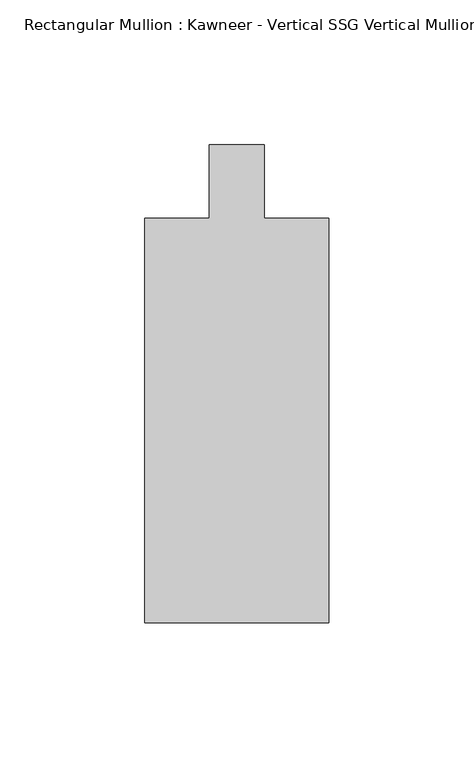
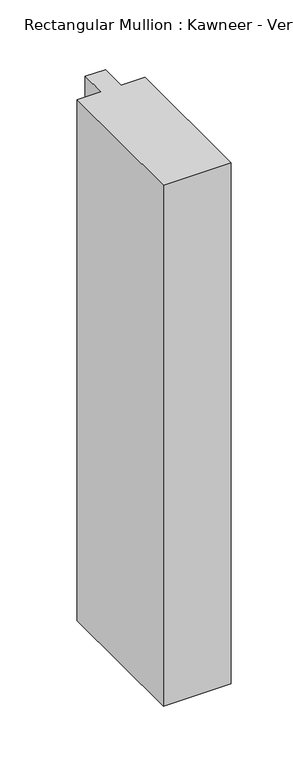
"""IFC4 building model written with IfcOpenShell, lengths in millimetres: member geometry."""

from ifc_helpers import new_model, si_unit, frame, origin, place, context, project, spatial, polyline, outline, extrude, source, transform, mapped, element, save


def member_9dc0b9e6(model_context):
    return source(origin(), model_context, "Body", "SweptSolid", [
        extrude(outline(polyline([(-31.75, -12.7), (-9.5251132, -12.7), (-9.5251132, 12.7), (9.5251132, 12.7), (9.5251132, -12.7), (31.75, -12.7), (31.75, -152.399995), (-31.75, -152.399995), (-31.75, -12.7)])), frame((0.0, 0.0, -515.5542364), z_axis=(0.0, 0.0, 1.0), x_axis=(1.0, 0.0, 0.0)), (0.0, 0.0, 1.0), 515.5542364),
    ])


if __name__ == "__main__":
    model = new_model("IFC4")
    model_context = context("Model", 3, world=origin())
    ifc_project = project(units=[si_unit("LENGTHUNIT", "METRE", prefix="MILLI")], contexts=[model_context])
    site = spatial("IfcSite", under=ifc_project)
    building = spatial("IfcBuilding", under=site)
    placement = place(None, origin())
    member_shape = member_9dc0b9e6(model_context)
    element("IfcMember", 1, ObjectType="Rectangular Mullion : Kawneer - Vertical SSG Vertical Mullion - 7 1/2\"", at=placement, inside=building, context=model_context, shape_type="MappedRepresentation", body=[
        mapped(member_shape, transform((0.0, 0.0, 0.0), x_axis=(1.0, 0.0, 0.0), y_axis=(0.0, 1.0, 0.0), z_axis=(0.0, 0.0, 1.0))),
    ])
    save(model, "model.ifc")
